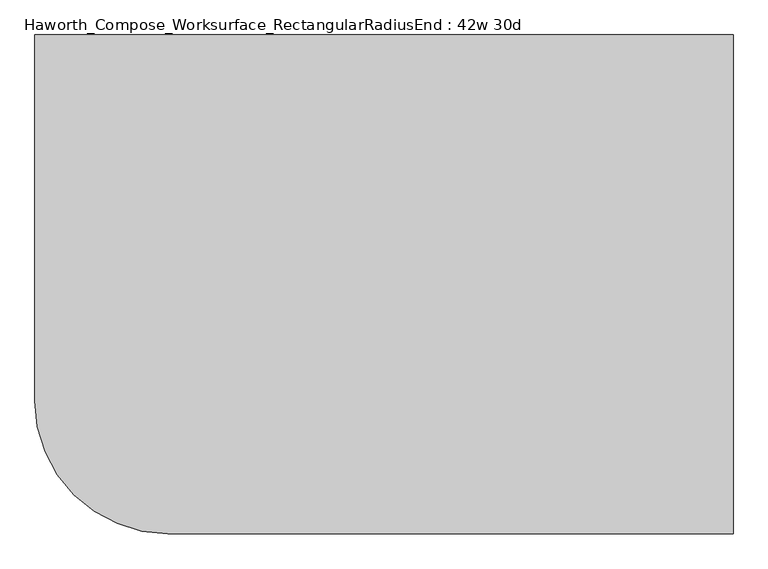
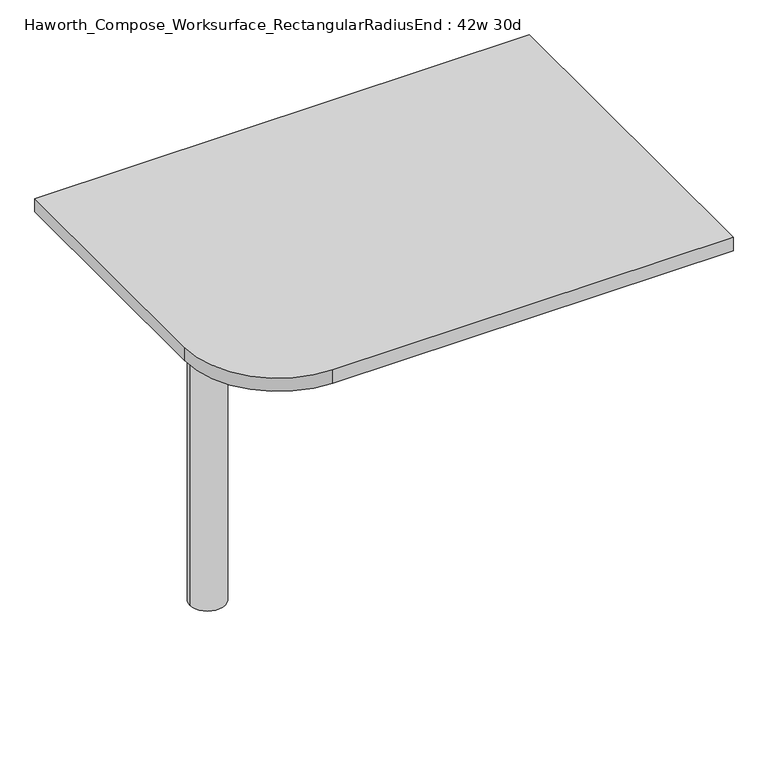
"""IFC4 building model written with IfcOpenShell, lengths in millimetres: furniture geometry, Haworth_Compose_Worksurface_RectangularRadiusEnd : 42w 30d."""

from ifc_helpers import new_model, si_unit, point, frame, frame_2d, origin, place, context, project, spatial, polyline, circle_curve, trimmed, segment, composite_curve, outline, extrude, source, transform, mapped, element, save
from ifc_brep_helpers import plane_surface, cylinder_surface, revolved_surface, advanced_brep


def haworth_compose_worksurface_rectangularradiusend_42w_30d_fe7e2249(model_context):
    return source(origin(), model_context, "Body", "SolidModel", [
        advanced_brep(
        [(527.84375, 381.0, 475.45625), (527.84375, 365.125, 475.45625), (527.84375, -25.4, 691.7192568), (527.84375, -25.4, 704.05625), (527.84375, 365.125, 704.05625), (527.84375, 381.0, 704.05625), (527.84375, 297.690072, 665.95625), (527.84375, 254.0355284, 665.95625), (527.84375, 251.3564235, 656.3705539), (527.84375, 343.0776173, 605.5776439), (527.84375, 352.425, 611.1756969), (527.84375, 352.425, 634.6860246), (527.84375, 350.6730055, 637.5242776), (527.84375, 300.7663437, 665.1613425), (530.225, 381.0, 475.45625), (530.225, 381.0, 704.05625), (530.225, 365.125, 704.05625), (530.225, 365.125, 706.4375), (530.225, -25.4, 706.4375), (530.225, -25.4, 691.7192568), (530.225, 365.125, 475.45625), (530.225, 297.690072, 665.95625), (530.225, 300.7663437, 665.1613425), (530.225, 350.6730055, 637.5242776), (530.225, 352.425, 634.6860246), (530.225, 352.425, 611.1756969), (530.225, 343.0776173, 605.5776439), (530.225, 251.3564235, 656.3705539), (530.225, 254.0355284, 665.95625), (488.95, -25.4, 706.4375), (488.95, -25.4, 704.05625), (488.95, 365.125, 704.05625), (488.95, 365.125, 706.4375)],
        [
            (0, 1),
            (1, 2),
            (2, 3),
            (3, 4),
            (4, 5),
            (5, 0),
            (6, 7),
            (7, 8, circle_curve(frame((527.84375, 254.0355284, 660.7890106), z_axis=(1.0, 0.0, 0.0), x_axis=(0.0, -1.0, 0.0)), 5.1672394)),
            (8, 9),
            (9, 10, circle_curve(frame((527.84375, 346.075, 611.1756969), z_axis=(1.0, 0.0, 0.0), x_axis=(0.0, -1.0, 0.0)), 6.35)),
            (10, 11),
            (11, 12, circle_curve(frame((527.84375, 349.25, 634.6860246), z_axis=(1.0, 0.0, 0.0), x_axis=(0.0, -1.0, 0.0)), 3.175)),
            (12, 13),
            (13, 6, circle_curve(frame((527.84375, 297.690072, 659.60625), z_axis=(1.0, 0.0, 0.0), x_axis=(0.0, -1.0, 0.0)), 6.35)),
            (14, 15),
            (15, 16),
            (16, 17),
            (17, 18),
            (18, 19),
            (19, 20),
            (20, 14),
            (21, 22, circle_curve(frame((530.225, 297.690072, 659.60625), z_axis=(-1.0, 0.0, 0.0), x_axis=(0.0, -1.0, 0.0)), 6.35)),
            (22, 23),
            (23, 24, circle_curve(frame((530.225, 349.25, 634.6860246), z_axis=(-1.0, 0.0, 0.0), x_axis=(0.0, -1.0, 0.0)), 3.175)),
            (24, 25),
            (25, 26, circle_curve(frame((530.225, 346.075, 611.1756969), z_axis=(-1.0, 0.0, 0.0), x_axis=(0.0, -1.0, 0.0)), 6.35)),
            (26, 27),
            (27, 28, circle_curve(frame((530.225, 254.0355284, 660.7890106), z_axis=(-1.0, 0.0, 0.0), x_axis=(0.0, -1.0, 0.0)), 5.1672394)),
            (28, 21),
            (4, 16),
            (15, 5),
            (14, 0),
            (20, 1),
            (19, 2),
            (18, 29),
            (29, 30),
            (30, 3),
            (6, 21),
            (28, 7),
            (9, 26),
            (25, 10),
            (24, 11),
            (23, 12),
            (27, 8),
            (31, 4),
            (30, 31),
            (32, 29),
            (17, 32),
            (31, 32),
            (22, 13),
        ],
        [
            plane_surface(frame((527.84375, 381.0, 475.45625), z_axis=(-1.0, 0.0, 0.0), x_axis=(0.0, 1.0, 0.0))),
            plane_surface(frame((530.225, 381.0, 475.45625), z_axis=(1.0, 0.0, 0.0), x_axis=(0.0, -1.0, 0.0))),
            plane_surface(frame((530.225, -25.4, 704.05625), z_axis=(0.0, 0.0, 1.0), x_axis=(-1.0, 0.0, 0.0))),
            plane_surface(frame((530.225, 381.0, 704.05625), z_axis=(0.0, 1.0, 0.0), x_axis=(-1.0, 0.0, 0.0))),
            plane_surface(frame((530.225, 381.0, 475.45625), z_axis=(0.0, 0.0, -1.0), x_axis=(-1.0, 0.0, 0.0))),
            plane_surface(frame((530.225, 365.125, 475.45625), z_axis=(0.0, -0.48445223513455843, -0.8748177135112952), x_axis=(-1.0, 0.0, 0.0))),
            plane_surface(frame((530.225, -25.4, 691.7192568), z_axis=(0.0, -1.0, 0.0), x_axis=(-1.0, 0.0, 0.0))),
            plane_surface(frame((530.225, 297.690072, 665.95625), z_axis=(0.0, 0.0, -1.0), x_axis=(-1.0, 0.0, 0.0))),
            revolved_surface(polyline([(527.84375, 339.72499999999997, 611.1756969), (530.225, 339.72499999999997, 611.1756969)]), (530.225, 346.075, 611.1756969), (-1.0, 0.0, 0.0)),
            plane_surface(frame((530.225, 352.425, 611.1756969), z_axis=(0.0, -1.0, 0.0), x_axis=(-1.0, 0.0, 0.0))),
            revolved_surface(polyline([(527.84375, 346.075, 634.6860246), (530.225, 346.075, 634.6860246)]), (530.225, 349.25, 634.6860246), (-1.0, 0.0, 0.0)),
            revolved_surface(polyline([(527.84375, 248.868289, 660.7890106), (530.225, 248.868289, 660.7890106)]), (530.225, 254.0355284, 660.7890106), (-1.0, 0.0, 0.0)),
            plane_surface(frame((530.225, 365.125, 704.05625), z_axis=(0.0, 0.0, -1.0), x_axis=(-1.0, 0.0, 0.0))),
            plane_surface(frame((530.225, 365.125, 706.4375), z_axis=(0.0, 0.0, 1.0), x_axis=(1.0, 0.0, 0.0))),
            plane_surface(frame((488.95, 365.125, 706.4375), z_axis=(0.0, 1.0, 0.0), x_axis=(0.0, 0.0, -1.0))),
            plane_surface(frame((488.95, -25.4, 706.4375), z_axis=(-1.0, 0.0, 0.0), x_axis=(0.0, 0.0, -1.0))),
            plane_surface(frame((530.225, 251.3564235, 656.3705539), z_axis=(0.0, 0.4844522351345583, 0.8748177135112953), x_axis=(-1.0, 0.0, 0.0))),
            plane_surface(frame((530.225, 350.6730055, 637.5242776), z_axis=(0.0, -0.4844522351345582, -0.8748177135112953), x_axis=(-1.0, 0.0, 0.0))),
            revolved_surface(polyline([(527.84375, 291.34007199999996, 659.60625), (530.225, 291.34007199999996, 659.60625)]), (530.225, 297.690072, 659.60625), (-1.0, 0.0, 0.0)),
        ],
        [
            (0, [[1, 2, 3, 4, 5, 6], [7, 8, 9, 10, 11, 12, 13, 14]]),
            (1, [[15, 16, 17, 18, 19, 20, 21], [22, 23, 24, 25, 26, 27, 28, 29]]),
            (2, [[-5, 30, -16, 31]]),
            (3, [[-31, -15, 32, -6]]),
            (4, [[-32, -21, 33, -1]]),
            (5, [[-33, -20, 34, -2]]),
            (6, [[-34, -19, 35, 36, 37, -3]]),
            (7, [[38, -29, 39, -7]]),
            (8, [[40, -26, 41, -10]]),
            (9, [[-41, -25, 42, -11]]),
            (10, [[-42, -24, 43, -12]]),
            (11, [[-39, -28, 44, -8]]),
            (12, [[45, -4, -37, 46]]),
            (13, [[47, -35, -18, 48]]),
            (14, [[-17, -30, -45, 49, -48]]),
            (15, [[-36, -47, -49, -46]]),
            (16, [[-44, -27, -40, -9]]),
            (17, [[-43, -23, 50, -13]]),
            (18, [[-50, -22, -38, -14]]),
        ],
    ),
        advanced_brep(
        [(-342.9, 0.0, 706.4375), (-419.1, 0.0, 706.4375), (-381.0, 0.0, 706.4375), (-342.9, 0.0, 0.0), (-419.1, 0.0, 0.0), (-381.0, 0.0, 0.0)],
        [
            (0, 1, circle_curve(frame((-381.0, 0.0, 706.4375), z_axis=(0.0, 0.0, 1.0), x_axis=(-1.0, 0.0, 0.0)), 38.1)),
            (1, 2),
            (2, 0),
            (1, 0, circle_curve(frame((-381.0, 0.0, 706.4375), z_axis=(0.0, 0.0, 1.0), x_axis=(-1.0, 0.0, 0.0)), 38.1)),
            (3, 4, circle_curve(frame((-381.0, 0.0, 0.0), z_axis=(0.0, 0.0, 1.0), x_axis=(-1.0, 0.0, 0.0)), 38.1)),
            (4, 1),
            (0, 3),
            (4, 3, circle_curve(frame((-381.0, 0.0, 0.0), z_axis=(0.0, 0.0, 1.0), x_axis=(-1.0, 0.0, 0.0)), 38.1)),
            (5, 4),
            (3, 5),
        ],
        [
            plane_surface(frame((-381.0, 0.0, 706.4375), z_axis=(0.0, 0.0, 1.0), x_axis=(-1.0, 0.0, 0.0))),
            cylinder_surface(frame((-381.0, 0.0, 889.623257), z_axis=(0.0, 0.0, -1.0), x_axis=(-1.0, 0.0, 0.0)), 38.1),
            plane_surface(frame((-381.0, 0.0, 0.0), z_axis=(0.0, 0.0, -1.0), x_axis=(-1.0, 0.0, 0.0))),
        ],
        [
            (0, [[1, 2, 3]]),
            (0, [[4, -3, -2]]),
            (1, [[5, 6, -1, 7]]),
            (1, [[8, -7, -4, -6]]),
            (2, [[9, -5, 10]]),
            (2, [[-10, -8, -9]]),
        ],
    ),
        extrude(outline(composite_curve([segment(polyline([(533.4, 381.0), (533.4, -381.0), (-330.2, -381.0)]), True, "CONTINUOUS"), segment(trimmed(circle_curve(frame_2d((-330.2, -177.8)), 203.2), [point((-330.2, -381.0))], [point((-533.4, -177.8))], False, "CARTESIAN"), True, "CONTINUOUS"), segment(polyline([(-533.4, -177.8), (-533.4, 381.0), (533.4, 381.0)]), True, "CONTINUOUS")], self_intersect=False)), frame((0.0, 0.0, 706.4375), z_axis=(0.0, 0.0, 1.0), x_axis=(1.0, 0.0, 0.0)), (0.0, 0.0, 1.0), 30.1625),
    ])


if __name__ == "__main__":
    model = new_model("IFC4")
    model_context = context("Model", 3, world=origin())
    ifc_project = project(units=[si_unit("LENGTHUNIT", "METRE", prefix="MILLI")], contexts=[model_context])
    site = spatial("IfcSite", under=ifc_project)
    building = spatial("IfcBuilding", under=site)
    placement = place(None, origin())
    haworth_compose_worksurface_rectangularradiusend_42w_30d_shape = haworth_compose_worksurface_rectangularradiusend_42w_30d_fe7e2249(model_context)
    element("IfcFurniture", 1, ObjectType="Haworth_Compose_Worksurface_RectangularRadiusEnd : 42w 30d", at=placement, inside=building, context=model_context, shape_type="MappedRepresentation", body=[
        mapped(haworth_compose_worksurface_rectangularradiusend_42w_30d_shape, transform((0.0, 0.0, 0.0), x_axis=(1.0, 0.0, 0.0), y_axis=(0.0, 1.0, 0.0), z_axis=(0.0, 0.0, 1.0))),
    ])
    save(model, "model.ifc")
